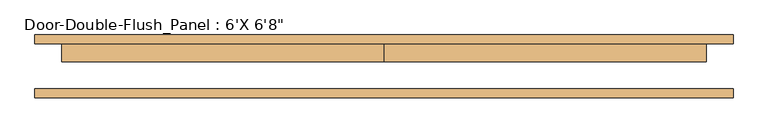
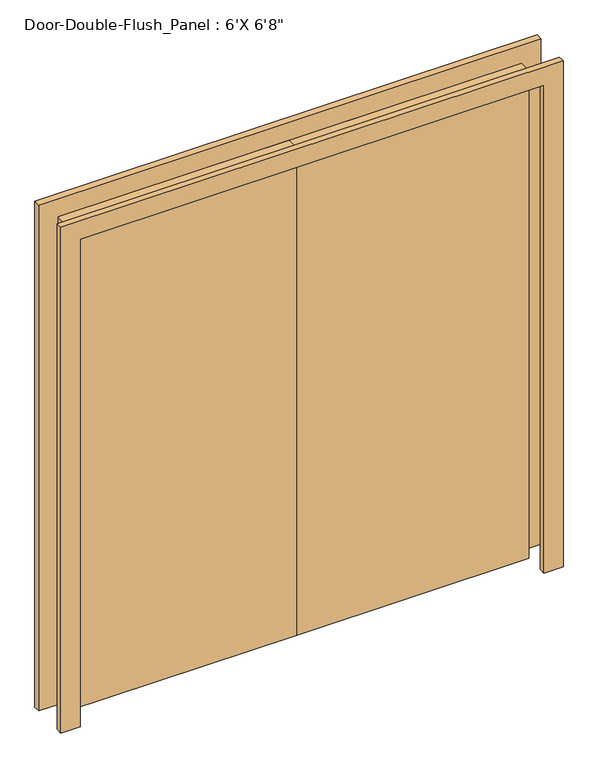
"""IFC4 building model written with IfcOpenShell, lengths in millimetres: door geometry."""

import ifcopenshell
import ifcopenshell.guid

model = None  # the IFC model being written
_history = None  # IfcOwnerHistory: only IFC2X3 demands one
_inside = {}  # id of a spatial element -> (the spatial element, [elements in it])
_under = {}  # id of a project, library or spatial element -> (it, [spatial elements below it])
_declared = {}  # id of a project -> (the project, [libraries it declares])
_typed = {}  # id of a type object -> (the type object, [elements of that type])
_made_of = {}  # id of a material, layer set ... -> (it, [elements and type objects made of it])


def new_model(schema):
    """Start an empty IFC model of exactly this schema.

    Asked for "IFC4X3", IfcOpenShell would pick the latest addendum, in which some entities
    have other attributes; the version numbers below select the first issue.
    IFC2X3 requires an IfcOwnerHistory on every rooted entity: one is made here for all.
    """
    global model, _history
    if schema == "IFC4X3":
        model = ifcopenshell.file(schema_version=(4, 3, 0, 0))
    else:
        model = ifcopenshell.file(schema=schema)
    _inside.clear()
    _under.clear()
    _declared.clear()
    _typed.clear()
    _made_of.clear()
    _history = None
    if model.schema == "IFC2X3":
        org = make("IfcOrganization", Name="unknown")
        user = make(
            "IfcPersonAndOrganization",
            ThePerson=make("IfcPerson", FamilyName="unknown"),
            TheOrganization=org,
        )
        app = make(
            "IfcApplication",
            ApplicationDeveloper=org,
            Version="unknown",
            ApplicationFullName="unknown",
            ApplicationIdentifier="unknown",
        )
        _history = make(
            "IfcOwnerHistory",
            OwningUser=user,
            OwningApplication=app,
            ChangeAction="ADDED",
            CreationDate=0,
        )
    return model


def make(cls, **values):
    """One entity of the class cls with the attributes given. An attribute that is None is left unset."""
    return model.create_entity(
        cls, **{name: value for name, value in values.items() if value is not None}
    )


def rooted(cls, **values):
    """An entity with a GlobalId (a new one), such as an element, a storey or a relation."""
    return make(cls, GlobalId=ifcopenshell.guid.new(), OwnerHistory=_history, **values)


def si_unit(unit_type, name, prefix=None):
    """IfcSIUnit, for example si_unit("LENGTHUNIT", "METRE", prefix="MILLI")."""
    return make("IfcSIUnit", UnitType=unit_type, Prefix=prefix, Name=name)


def assignment(units):
    """IfcUnitAssignment: the units of a project."""
    return None if units is None else make("IfcUnitAssignment", Units=units)


def point(xyz):
    """IfcCartesianPoint."""
    return None if xyz is None else make("IfcCartesianPoint", Coordinates=xyz)


def direction(xyz):
    """IfcDirection."""
    return None if xyz is None else make("IfcDirection", DirectionRatios=xyz)


def frame(location, z_axis=None, x_axis=None):
    """IfcAxis2Placement3D, a coordinate frame: its origin and axes. An axis left out is left unset."""
    return make(
        "IfcAxis2Placement3D",
        Location=point(location),
        Axis=direction(z_axis),
        RefDirection=direction(x_axis),
    )


def origin():
    """The frame at (0, 0, 0) with its axes left unset."""
    return frame((0.0, 0.0, 0.0))


def origin_with_axes():
    """The frame at (0, 0, 0) with the z axis (0, 0, 1) and the x axis (1, 0, 0) written out."""
    return frame((0.0, 0.0, 0.0), z_axis=(0.0, 0.0, 1.0), x_axis=(1.0, 0.0, 0.0))


def place(relative_to, where):
    """IfcLocalPlacement: puts the frame where relative to a parent placement (None: the world)."""
    return make(
        "IfcLocalPlacement", PlacementRelTo=relative_to, RelativePlacement=where
    )


def context(
    kind, dimensions, precision=None, world=None, true_north=None, identifier=None
):
    """IfcGeometricRepresentationContext, for example the 3D "Model" context."""
    return make(
        "IfcGeometricRepresentationContext",
        ContextIdentifier=identifier,
        ContextType=kind,
        CoordinateSpaceDimension=dimensions,
        Precision=precision,
        WorldCoordinateSystem=world,
        TrueNorth=true_north,
    )


def project(units=None, contexts=None):
    """IfcProject with its units and contexts."""
    return rooted(
        "IfcProject",
        Name="project",
        RepresentationContexts=contexts,
        UnitsInContext=assignment(units),
    )


def spatial(cls, under=None, at=None, **own):
    """A site, building, storey or space (cls), placed at a placement, below another one or the project."""
    s = rooted(cls, ObjectPlacement=at, **own)
    if under is not None:
        _under.setdefault(under.id(), (under, []))[1].append(s)
    return s


def polyline(points):
    """IfcPolyline through the points."""
    return make("IfcPolyline", Points=[point(p) for p in points])


def outline(outer, holes=None, kind="AREA"):
    """IfcArbitraryClosedProfileDef: a profile drawn as a closed curve; with holes, ...WithVoids."""
    if holes is None:
        return make("IfcArbitraryClosedProfileDef", ProfileType=kind, OuterCurve=outer)
    return make(
        "IfcArbitraryProfileDefWithVoids",
        ProfileType=kind,
        OuterCurve=outer,
        InnerCurves=holes,
    )


def extrude(swept, where, along, depth):
    """IfcExtrudedAreaSolid: the profile swept, set in the frame where, extruded along a direction by depth."""
    return make(
        "IfcExtrudedAreaSolid",
        SweptArea=swept,
        Position=where,
        ExtrudedDirection=direction(along),
        Depth=depth,
    )


def shape(context_of_items, identifier, shape_type, items):
    """IfcShapeRepresentation: the items that make up one representation, for example the "Body"."""
    return make(
        "IfcShapeRepresentation",
        ContextOfItems=context_of_items,
        RepresentationIdentifier=identifier,
        RepresentationType=shape_type,
        Items=items,
    )


def source(mapping_origin, context_of_items, identifier, shape_type, items):
    """IfcRepresentationMap: a shape defined once, which mapped items show again and again."""
    return make(
        "IfcRepresentationMap",
        MappingOrigin=mapping_origin,
        MappedRepresentation=shape(context_of_items, identifier, shape_type, items),
    )


def transform(
    local_origin,
    x_axis=None,
    y_axis=None,
    z_axis=None,
    scale=None,
    scale2=None,
    scale3=None,
    uniform=True,
):
    """IfcCartesianTransformationOperator3D, or its non-uniform kind. x_axis, y_axis, z_axis: its Axis1, 2, 3."""
    if uniform:
        return make(
            "IfcCartesianTransformationOperator3D",
            Axis1=direction(x_axis),
            Axis2=direction(y_axis),
            LocalOrigin=point(local_origin),
            Scale=scale,
            Axis3=direction(z_axis),
        )
    return make(
        "IfcCartesianTransformationOperator3DnonUniform",
        Axis1=direction(x_axis),
        Axis2=direction(y_axis),
        LocalOrigin=point(local_origin),
        Scale=scale,
        Axis3=direction(z_axis),
        Scale2=scale2,
        Scale3=scale3,
    )


def mapped(mapping_source, mapping_target):
    """IfcMappedItem: shows the shape of a source again, moved by a transform."""
    return make(
        "IfcMappedItem", MappingSource=mapping_source, MappingTarget=mapping_target
    )


def made_of(thing, what):
    """Note that an element or type object is made of a material, layer set ...; save() writes the relation."""
    if what is not None:
        _made_of.setdefault(what.id(), (what, []))[1].append(thing)
    return thing


def element(
    cls,
    number,
    at=None,
    inside=None,
    cuts=None,
    type_object=None,
    material=None,
    context=None,
    identifier="Body",
    shape_type=None,
    held_by="IfcProductDefinitionShape",
    body=None,
    shapes=None,
    **own,
):
    """One element of the class cls, such as IfcWall. Its Tag is "e" and its number.

    at: its placement. inside: the storey or other place that contains it. cuts: it is an
    opening in that element (IfcRelVoidsElement). A single representation is given by context,
    identifier, shape_type and body (its items); several are given by shapes. held_by: the class
    of the entity that holds the representations. save() writes the other relations.
    """
    e = rooted(cls, Tag="e%d" % number, ObjectPlacement=at, **own)
    if body is not None:
        shapes = [shape(context, identifier, shape_type, body)]
    if shapes is not None:
        e.Representation = make(held_by, Representations=shapes)
    if inside is not None:
        _inside.setdefault(inside.id(), (inside, []))[1].append(e)
    if cuts is not None:
        rooted(
            "IfcRelVoidsElement", RelatingBuildingElement=cuts, RelatedOpeningElement=e
        )
    if type_object is not None:
        _typed.setdefault(type_object.id(), (type_object, []))[1].append(e)
    return made_of(e, material)


def aggregate(whole, parts):
    """IfcRelAggregates: a whole, such as a stair, and the parts it consists of."""
    return rooted("IfcRelAggregates", RelatingObject=whole, RelatedObjects=parts)


def save(model, path):
    """Write the relations noted so far, then the file.

    IfcRelAggregates (storeys below a building ...), IfcRelContainedInSpatialStructure (elements
    in a storey), IfcRelDefinesByType, IfcRelAssociatesMaterial and IfcRelDeclares: one each for
    every whole, place, type object, material and project.
    """
    for whole, parts in _under.values():
        aggregate(whole, parts)
    for where, things in _inside.values():
        rooted(
            "IfcRelContainedInSpatialStructure",
            RelatedElements=things,
            RelatingStructure=where,
        )
    for kind, things in _typed.values():
        rooted("IfcRelDefinesByType", RelatedObjects=things, RelatingType=kind)
    for what, things in _made_of.values():
        rooted("IfcRelAssociatesMaterial", RelatedObjects=things, RelatingMaterial=what)
    for by, libraries in _declared.values():
        rooted("IfcRelDeclares", RelatingContext=by, RelatedDefinitions=libraries)
    model.write(path)


def door_03a1cf00(model_context):
    return source(origin(), model_context, "Body", "SweptSolid", [
        extrude(outline(polyline([(2032.0, -914.4), (2032.0, 914.4), (0.0, 914.4), (0.0, 990.6), (2108.2, 990.6), (2108.2, -990.6), (0.0, -990.6), (0.0, -914.4), (2032.0, -914.4)])), frame((0.0, -88.9, 0.0), z_axis=(0.0, 1.0, 0.0), x_axis=(0.0, 0.0, 1.0)), (0.0, 0.0, 1.0), 25.4),
        extrude(outline(polyline([(2032.0, -914.4), (2032.0, 914.4), (0.0, 914.4), (0.0, 990.6), (2108.2, 990.6), (2108.2, -990.6), (0.0, -990.6), (0.0, -914.4), (2032.0, -914.4)])), frame((0.0, 63.5, 0.0), z_axis=(0.0, 1.0, 0.0), x_axis=(0.0, 0.0, 1.0)), (0.0, 0.0, 1.0), 25.4),
        extrude(outline(polyline([(0.0, 63.5), (914.4, 63.5), (914.4, 12.7), (0.0, 12.7), (0.0, 63.5)])), origin_with_axes(), (0.0, 0.0, 1.0), 2032.0),
        extrude(outline(polyline([(-914.4, 63.5), (0.0, 63.5), (0.0, 12.7), (-914.4, 12.7), (-914.4, 63.5)])), origin_with_axes(), (0.0, 0.0, 1.0), 2032.0),
    ])


if __name__ == "__main__":
    model = new_model("IFC4")
    model_context = context("Model", 3, world=origin())
    ifc_project = project(units=[si_unit("LENGTHUNIT", "METRE", prefix="MILLI")], contexts=[model_context])
    site = spatial("IfcSite", under=ifc_project)
    building = spatial("IfcBuilding", under=site)
    placement = place(None, origin())
    door_shape = door_03a1cf00(model_context)
    element("IfcDoor", 1, ObjectType="Door-Double-Flush_Panel : 6'X 6'8\"", at=placement, inside=building, context=model_context, shape_type="MappedRepresentation", body=[
        mapped(door_shape, transform((0.0, 0.0, 0.0), x_axis=(1.0, 0.0, 0.0), y_axis=(0.0, 1.0, 0.0), z_axis=(0.0, 0.0, 1.0))),
    ])
    save(model, "model.ifc")
